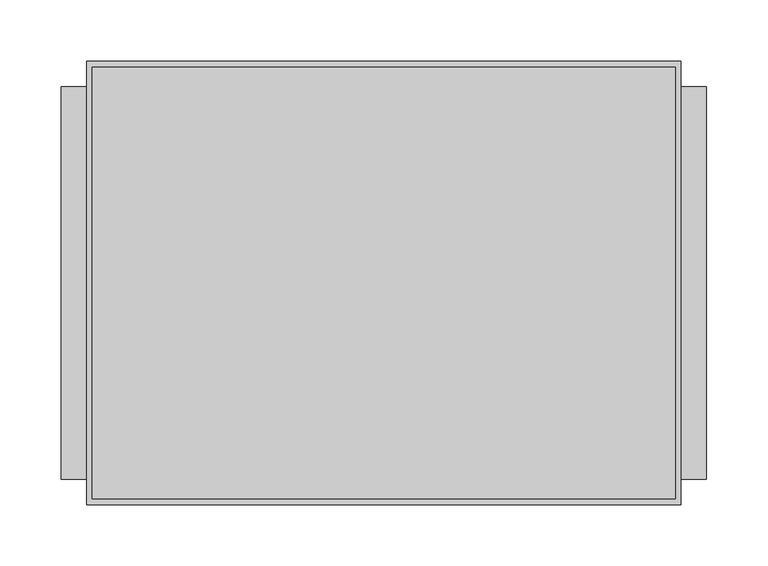
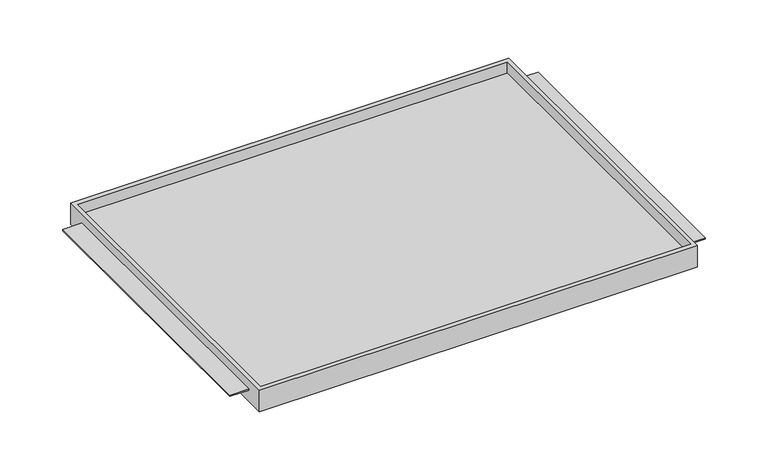
"""IFC4 building model written with IfcOpenShell, lengths in millimetres: furniture geometry."""

from ifc_helpers import new_model, si_unit, origin, place, context, project, spatial, faceted_brep, source, transform, mapped, element, save


def furniture_aced0376(model_context):
    return source(origin(), model_context, "Body", "Brep", [
        faceted_brep([(-242.7689646, -180.975, 1104.8111), (242.7689646, -180.975, 1104.8111), (242.7689646, -180.975, 1130.2111), (-242.7689646, -180.975, 1130.2111), (-242.7689646, 180.975, 1104.8111), (-242.7689646, 180.975, 1130.2111), (242.7689646, 180.975, 1130.2111), (242.7689646, 180.975, 1104.8111), (242.7689646, -160.3374879, 1119.1113), (242.7689646, 160.3374879, 1119.1113), (242.7689646, 160.3374879, 1117.5111), (242.7689646, -160.3374879, 1117.5111), (238.125, -176.2125, 1130.2111), (-238.125, -176.2125, 1130.2111), (-238.125, 175.91278, 1130.2111), (238.125, 175.91278, 1130.2111), (-242.7689646, 160.3374879, 1119.1113), (-242.7689646, -160.3374879, 1119.1113), (-242.7689646, -160.3374879, 1117.5111), (-242.7689646, 160.3374879, 1117.5111), (-238.125, -176.2125, 1117.5111), (238.125, -176.2125, 1117.5111), (238.125, 175.91278, 1117.5111), (-238.125, 175.91278, 1117.5111), (-263.525, 160.3374879, 1119.1113), (-263.525, -160.3374879, 1119.1113), (263.525, -160.3374879, 1119.1113), (263.525, 160.3374879, 1119.1113), (-263.525, -160.3374879, 1117.5111), (-263.525, 160.3374879, 1117.5111), (263.525, -160.3374879, 1117.5111), (263.525, 160.3374879, 1117.5111)], [[[0, 1, 2, 3]], [[4, 5, 6, 7]], [[1, 0, 4, 7]], [[2, 1, 7, 6], [8, 9, 10, 11]], [[3, 2, 6, 5], [12, 13, 14, 15]], [[0, 3, 5, 4], [16, 17, 18, 19]], [[20, 21, 22, 23]], [[21, 20, 13, 12]], [[22, 21, 12, 15]], [[23, 22, 15, 14]], [[20, 23, 14, 13]], [[16, 24, 25, 17]], [[26, 27, 9, 8]], [[18, 28, 29, 19]], [[30, 11, 10, 31]], [[24, 16, 19, 29]], [[25, 24, 29, 28]], [[17, 25, 28, 18]], [[27, 26, 30, 31]], [[9, 27, 31, 10]], [[26, 8, 11, 30]]]),
    ])


if __name__ == "__main__":
    model = new_model("IFC4")
    model_context = context("Model", 3, world=origin())
    ifc_project = project(units=[si_unit("LENGTHUNIT", "METRE", prefix="MILLI")], contexts=[model_context])
    site = spatial("IfcSite", under=ifc_project)
    building = spatial("IfcBuilding", under=site)
    placement = place(None, origin())
    furniture_shape = furniture_aced0376(model_context)
    element("IfcFurniture", 1, at=placement, inside=building, context=model_context, shape_type="MappedRepresentation", body=[
        mapped(furniture_shape, transform((0.0, 0.0, 0.0), x_axis=(1.0, 0.0, 0.0), y_axis=(0.0, 1.0, 0.0), z_axis=(0.0, 0.0, 1.0))),
    ])
    save(model, "model.ifc")
